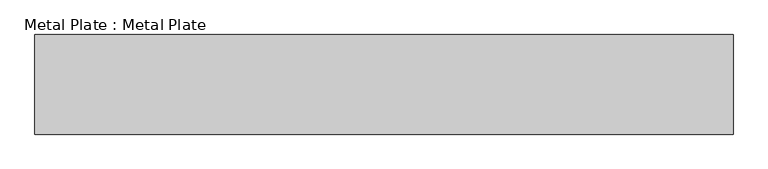
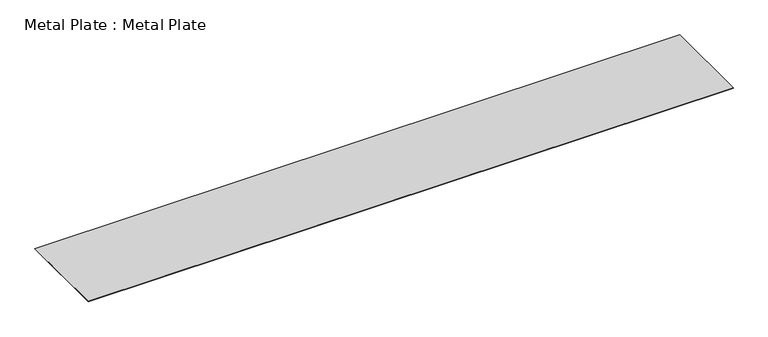
"""IFC4 building model written with IfcOpenShell, lengths in millimetres: proxy geometry, Metal Plate : Metal Plate."""

from ifc_helpers import new_model, si_unit, origin, origin_with_axes, place, context, project, spatial, polyline, outline, extrude, source, transform, mapped, element, save


def metal_plate_metal_plate_c2b58e90(model_context):
    return source(origin(), model_context, "Body", "SweptSolid", [
        extrude(outline(polyline([(-6195.9657393, -1769.0), (-6195.9657393, 0.0), (6195.9657393, 0.0), (6195.9657393, -1769.0), (-6195.9657393, -1769.0)])), origin_with_axes(), (0.0, 0.0, 1.0), 6.0),
    ])


if __name__ == "__main__":
    model = new_model("IFC4")
    model_context = context("Model", 3, world=origin())
    ifc_project = project(units=[si_unit("LENGTHUNIT", "METRE", prefix="MILLI")], contexts=[model_context])
    site = spatial("IfcSite", under=ifc_project)
    building = spatial("IfcBuilding", under=site)
    placement = place(None, origin())
    metal_plate_metal_plate_shape = metal_plate_metal_plate_c2b58e90(model_context)
    element("IfcBuildingElementProxy", 1, Name="Metal Plate : Metal Plate", ObjectType="Metal Plate : Metal Plate", at=placement, inside=building, context=model_context, shape_type="MappedRepresentation", body=[
        mapped(metal_plate_metal_plate_shape, transform((0.0, 0.0, 0.0), x_axis=(1.0, 0.0, 0.0), y_axis=(0.0, 1.0, 0.0), z_axis=(0.0, 0.0, 1.0))),
    ])
    save(model, "model.ifc")
